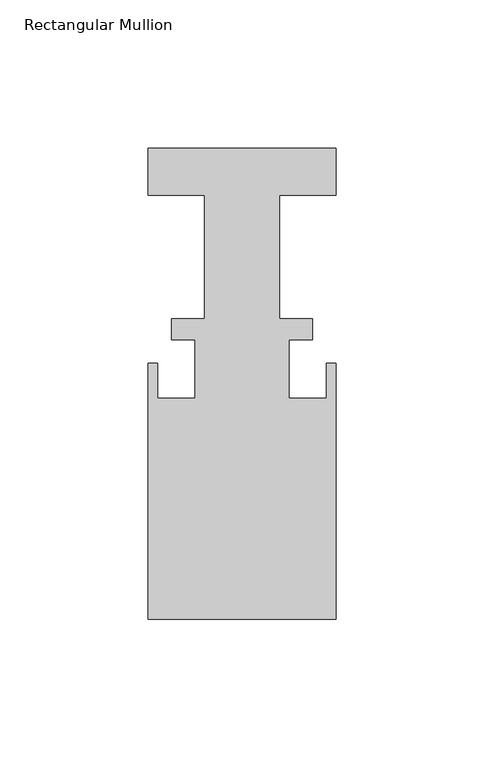
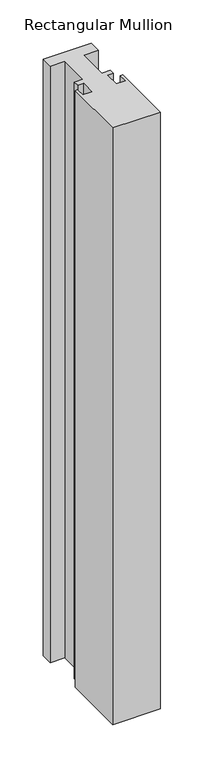
"""IFC4 building model written with IfcOpenShell, lengths in millimetres: member geometry, Rectangular Mullion."""

from ifc_helpers import new_model, si_unit, frame, origin, place, context, project, spatial, polyline, outline, extrude, source, transform, mapped, element, save


def rectangular_mullion_9af22d3b(model_context):
    return source(origin(), model_context, "Body", "SweptSolid", [
        extrude(outline(polyline([(-31.75, 50.6849063), (31.75, 50.6849063), (31.75, 34.8099063), (12.7, 34.8099063), (12.7, -6.8460938), (23.8252, -6.8460938), (23.8252, -14.0088937), (15.875, -14.0088937), (15.875, -33.8208937), (28.575, -33.8208937), (28.575, -21.9082938), (31.75, -21.9082938), (31.75, -108.4460938), (-31.75, -108.4460938), (-31.75, -21.9082938), (-28.575, -21.9082938), (-28.575, -33.8208937), (-15.875, -33.8208937), (-15.875, -14.0088938), (-23.8252, -14.0088938), (-23.8252, -6.8460938), (-12.7, -6.8460938), (-12.7, 34.8099063), (-31.75, 34.8099063), (-31.75, 50.6849063)])), frame((0.0, 0.0, -837.8008069), z_axis=(0.0, 0.0, 1.0), x_axis=(1.0, 0.0, 0.0)), (0.0, 0.0, 1.0), 837.8008069),
    ])


if __name__ == "__main__":
    model = new_model("IFC4")
    model_context = context("Model", 3, world=origin())
    ifc_project = project(units=[si_unit("LENGTHUNIT", "METRE", prefix="MILLI")], contexts=[model_context])
    site = spatial("IfcSite", under=ifc_project)
    building = spatial("IfcBuilding", under=site)
    placement = place(None, origin())
    rectangular_mullion_shape = rectangular_mullion_9af22d3b(model_context)
    element("IfcMember", 1, ObjectType="Rectangular Mullion", at=placement, inside=building, context=model_context, shape_type="MappedRepresentation", body=[
        mapped(rectangular_mullion_shape, transform((0.0, 0.0, 0.0), x_axis=(1.0, 0.0, 0.0), y_axis=(0.0, 1.0, 0.0), z_axis=(0.0, 0.0, 1.0))),
    ])
    save(model, "model.ifc")
